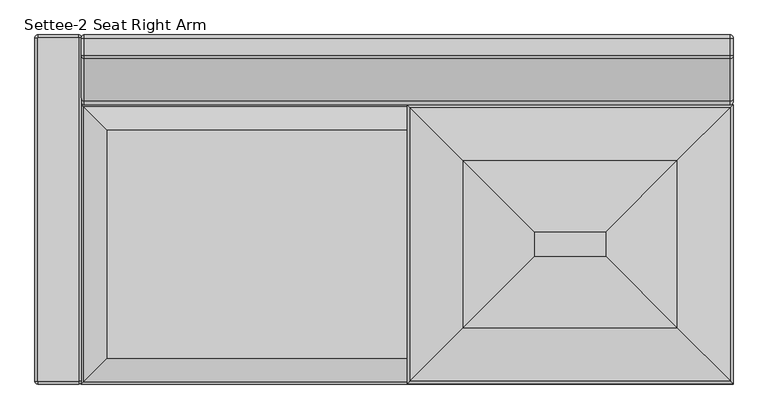
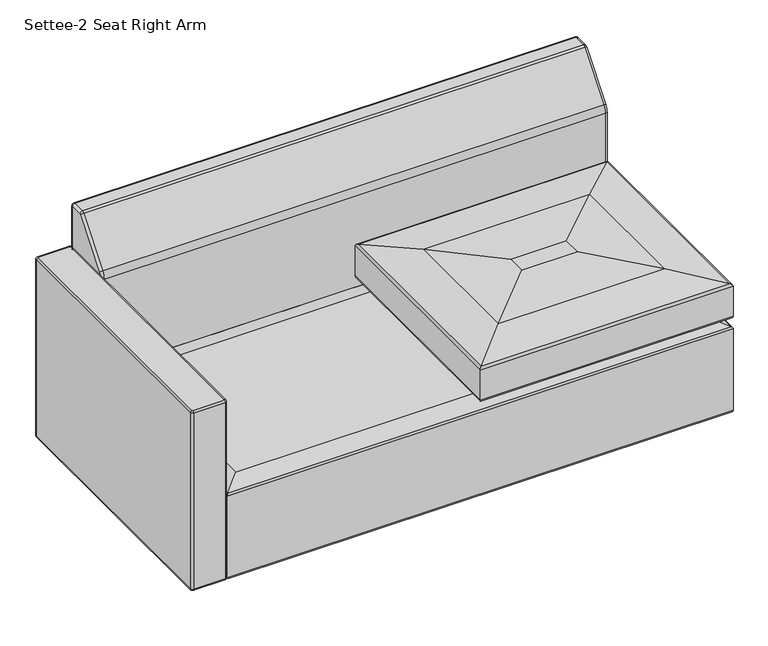
"""IFC4 building model written with IfcOpenShell, lengths in millimetres: furniture geometry, Settee-2 Seat Right Arm."""

from ifc_helpers import new_model, si_unit, point, frame, origin, place, context, project, spatial, circle_curve, ellipse_curve, trimmed, source, transform, mapped, element, save
from ifc_brep_helpers import plane_surface, cylinder_surface, revolved_surface, advanced_brep


def settee_2_seat_right_arm_ebe92415(model_context):
    return source(origin(), model_context, "Body", "AdvancedBrep", [
        advanced_brep(
        [(0.0, -6.35, 61.722), (6.35, 0.0, 61.722), (6.35, -4.572, 57.15), (4.572, -6.35, 57.15), (0.0, -6.35, 585.8632541), (6.35, 0.0, 585.8632541), (4.572, -6.35, 590.4352541), (6.35, -4.572, 590.4352541), (4.572, -755.65, 57.15), (0.0, -755.65, 61.722), (0.0, -755.65, 585.8632541), (4.572, -755.65, 590.4352541), (6.35, -757.428, 57.15), (6.35, -762.0, 61.722), (6.35, -762.0, 585.8632541), (6.35, -757.428, 590.4352541), (95.25, -757.428, 57.15), (95.25, -762.0, 61.722), (95.25, -762.0, 585.8632541), (95.25, -757.428, 590.4352541), (97.028, -755.65, 57.15), (101.6, -755.65, 61.722), (101.6, -755.65, 585.8632541), (97.028, -755.65, 590.4352541), (97.028, -6.35, 57.15), (101.6, -6.35, 61.722), (101.6, -6.35, 585.8632541), (97.028, -6.35, 590.4352541), (95.25, -4.572, 57.15), (95.25, 0.0, 61.722), (95.25, 0.0, 585.8632541), (95.25, -4.572, 590.4352541)],
        [
            (0, 1, circle_curve(frame((6.35, -6.35, 61.722), z_axis=(0.0, 0.0, -1.0), x_axis=(0.0, 1.0, 0.0)), 6.35)),
            (1, 2, circle_curve(frame((6.35, -4.572, 61.722), z_axis=(-1.0, 0.0, 0.0), x_axis=(0.0, -1.0, 0.0)), 4.572)),
            (2, 3, circle_curve(frame((6.35, -6.35, 57.15), z_axis=(0.0, 0.0, 1.0), x_axis=(0.0, 1.0, 0.0)), 1.778)),
            (3, 0, circle_curve(frame((4.572, -6.35, 61.722), z_axis=(0.0, 1.0, 0.0), x_axis=(1.0, 0.0, 0.0)), 4.572)),
            (0, 4),
            (4, 5, circle_curve(frame((6.35, -6.35, 585.8632541), z_axis=(0.0, 0.0, -1.0), x_axis=(0.0, 1.0, 0.0)), 6.35)),
            (5, 1),
            (4, 6, circle_curve(frame((4.572, -6.35, 585.8632541), z_axis=(0.0, 1.0, 0.0), x_axis=(1.0, 0.0, 0.0)), 4.572)),
            (6, 7, circle_curve(frame((6.35, -6.35, 590.4352541), z_axis=(0.0, 0.0, -1.0), x_axis=(0.0, 1.0, 0.0)), 1.778)),
            (7, 5, circle_curve(frame((6.35, -4.572, 585.8632541), z_axis=(-1.0, 0.0, 0.0), x_axis=(0.0, -1.0, 0.0)), 4.572)),
            (3, 8),
            (8, 9, circle_curve(frame((4.572, -755.65, 61.722), z_axis=(0.0, 1.0, 0.0), x_axis=(1.0, 0.0, 0.0)), 4.572)),
            (9, 0),
            (9, 10),
            (10, 4),
            (10, 11, circle_curve(frame((4.572, -755.65, 585.8632541), z_axis=(0.0, 1.0, 0.0), x_axis=(1.0, 0.0, 0.0)), 4.572)),
            (11, 6),
            (8, 12, circle_curve(frame((6.35, -755.65, 57.15), z_axis=(0.0, 0.0, 1.0), x_axis=(-1.0, 0.0, 0.0)), 1.778)),
            (12, 13, circle_curve(frame((6.35, -757.428, 61.722), z_axis=(-1.0, 0.0, 0.0), x_axis=(0.0, 1.0, 0.0)), 4.572)),
            (13, 9, circle_curve(frame((6.35, -755.65, 61.722), z_axis=(0.0, 0.0, -1.0), x_axis=(-1.0, 0.0, 0.0)), 6.35)),
            (13, 14),
            (14, 10, circle_curve(frame((6.35, -755.65, 585.8632541), z_axis=(0.0, 0.0, -1.0), x_axis=(-1.0, 0.0, 0.0)), 6.35)),
            (14, 15, circle_curve(frame((6.35, -757.428, 585.8632541), z_axis=(-1.0, 0.0, 0.0), x_axis=(0.0, 1.0, 0.0)), 4.572)),
            (15, 11, circle_curve(frame((6.35, -755.65, 590.4352541), z_axis=(0.0, 0.0, -1.0), x_axis=(-1.0, 0.0, 0.0)), 1.778)),
            (12, 16),
            (16, 17, circle_curve(frame((95.25, -757.428, 61.722), z_axis=(-1.0, 0.0, 0.0), x_axis=(0.0, 1.0, 0.0)), 4.572)),
            (17, 13),
            (17, 18),
            (18, 14),
            (18, 19, circle_curve(frame((95.25, -757.428, 585.8632541), z_axis=(-1.0, 0.0, 0.0), x_axis=(0.0, 1.0, 0.0)), 4.572)),
            (19, 15),
            (16, 20, circle_curve(frame((95.25, -755.65, 57.15), z_axis=(0.0, 0.0, 1.0), x_axis=(0.0, -1.0, 0.0)), 1.778)),
            (20, 21, circle_curve(frame((97.028, -755.65, 61.722), z_axis=(0.0, -1.0, 0.0), x_axis=(-1.0, 0.0, 0.0)), 4.572)),
            (21, 17, circle_curve(frame((95.25, -755.65, 61.722), z_axis=(0.0, 0.0, -1.0), x_axis=(0.0, -1.0, 0.0)), 6.35)),
            (21, 22),
            (22, 18, circle_curve(frame((95.25, -755.65, 585.8632541), z_axis=(0.0, 0.0, -1.0), x_axis=(0.0, -1.0, 0.0)), 6.35)),
            (22, 23, circle_curve(frame((97.028, -755.65, 585.8632541), z_axis=(0.0, -1.0, 0.0), x_axis=(-1.0, 0.0, 0.0)), 4.572)),
            (23, 19, circle_curve(frame((95.25, -755.65, 590.4352541), z_axis=(0.0, 0.0, -1.0), x_axis=(0.0, -1.0, 0.0)), 1.778)),
            (20, 24),
            (24, 25, circle_curve(frame((97.028, -6.35, 61.722), z_axis=(0.0, -1.0, 0.0), x_axis=(-1.0, 0.0, 0.0)), 4.572)),
            (25, 21),
            (25, 26),
            (26, 22),
            (26, 27, circle_curve(frame((97.028, -6.35, 585.8632541), z_axis=(0.0, -1.0, 0.0), x_axis=(-1.0, 0.0, 0.0)), 4.572)),
            (27, 23),
            (24, 28, circle_curve(frame((95.25, -6.35, 57.15), z_axis=(0.0, 0.0, 1.0), x_axis=(1.0, 0.0, 0.0)), 1.778)),
            (28, 29, circle_curve(frame((95.25, -4.572, 61.722), z_axis=(1.0, 0.0, 0.0), x_axis=(0.0, -1.0, 0.0)), 4.572)),
            (29, 25, circle_curve(frame((95.25, -6.35, 61.722), z_axis=(0.0, 0.0, -1.0), x_axis=(1.0, 0.0, 0.0)), 6.35)),
            (29, 30),
            (30, 26, circle_curve(frame((95.25, -6.35, 585.8632541), z_axis=(0.0, 0.0, -1.0), x_axis=(1.0, 0.0, 0.0)), 6.35)),
            (30, 31, circle_curve(frame((95.25, -4.572, 585.8632541), z_axis=(1.0, 0.0, 0.0), x_axis=(0.0, -1.0, 0.0)), 4.572)),
            (31, 27, circle_curve(frame((95.25, -6.35, 590.4352541), z_axis=(0.0, 0.0, -1.0), x_axis=(1.0, 0.0, 0.0)), 1.778)),
            (2, 28),
            (1, 29),
            (5, 30),
            (7, 31),
        ],
        [
            revolved_surface(trimmed(ellipse_curve(frame((6.35, -4.572, 61.722), z_axis=(1.0, 0.0, 0.0), x_axis=(0.0, -1.0, 0.0)), 4.572, 4.572), [point((6.35, -4.572, 57.15))], [point((6.35, 0.0, 61.722))], True, "CARTESIAN"), (6.35, -6.35, 0.0), (0.0, 0.0, 1.0)),
            cylinder_surface(frame((6.35, -6.35, 0.0), z_axis=(0.0, 0.0, 1.0), x_axis=(0.0, 1.0, 0.0)), 6.35),
            revolved_surface(trimmed(ellipse_curve(frame((6.35, -4.572, 585.8632541), z_axis=(1.0, 0.0, 0.0), x_axis=(0.0, -1.0, 0.0)), 4.572, 4.572), [point((6.35, 0.0, 585.8632541))], [point((6.35, -4.572, 590.4352541))], True, "CARTESIAN"), (6.35, -6.35, 0.0), (0.0, 0.0, 1.0)),
            cylinder_surface(frame((4.572, -6.35, 61.722), z_axis=(0.0, 1.0, 0.0), x_axis=(1.0, 0.0, 0.0)), 4.572),
            plane_surface(frame((0.0, -6.35, 61.722), z_axis=(-1.0, 0.0, 0.0), x_axis=(0.0, -1.0, 0.0))),
            cylinder_surface(frame((4.572, -6.35, 585.8632541), z_axis=(0.0, 1.0, 0.0), x_axis=(1.0, 0.0, 0.0)), 4.572),
            revolved_surface(trimmed(ellipse_curve(frame((4.572, -755.65, 61.722), z_axis=(0.0, 1.0, 0.0), x_axis=(1.0, 0.0, 0.0)), 4.572, 4.572), [point((4.572, -755.65, 57.15))], [point((0.0, -755.65, 61.722))], True, "CARTESIAN"), (6.35, -755.65, 0.0), (0.0, 0.0, 1.0)),
            cylinder_surface(frame((6.35, -755.65, 0.0), z_axis=(0.0, 0.0, 1.0), x_axis=(-1.0, 0.0, 0.0)), 6.35),
            revolved_surface(trimmed(ellipse_curve(frame((4.572, -755.65, 585.8632541), z_axis=(0.0, 1.0, 0.0), x_axis=(1.0, 0.0, 0.0)), 4.572, 4.572), [point((0.0, -755.65, 585.8632541))], [point((4.572, -755.65, 590.4352541))], True, "CARTESIAN"), (6.35, -755.65, 0.0), (0.0, 0.0, 1.0)),
            cylinder_surface(frame((6.35, -757.428, 61.722), z_axis=(-1.0, 0.0, 0.0), x_axis=(0.0, 1.0, 0.0)), 4.572),
            plane_surface(frame((6.35, -762.0, 61.722), z_axis=(0.0, -1.0, 0.0), x_axis=(1.0, 0.0, 0.0))),
            cylinder_surface(frame((6.35, -757.428, 585.8632541), z_axis=(-1.0, 0.0, 0.0), x_axis=(0.0, 1.0, 0.0)), 4.572),
            revolved_surface(trimmed(ellipse_curve(frame((95.25, -757.428, 61.722), z_axis=(-1.0, 0.0, 0.0), x_axis=(0.0, 1.0, 0.0)), 4.572, 4.572), [point((95.25, -757.428, 57.15))], [point((95.25, -762.0, 61.722))], True, "CARTESIAN"), (95.25, -755.65, 0.0), (0.0, 0.0, 1.0)),
            cylinder_surface(frame((95.25, -755.65, 0.0), z_axis=(0.0, 0.0, 1.0), x_axis=(0.0, -1.0, 0.0)), 6.35),
            revolved_surface(trimmed(ellipse_curve(frame((95.25, -757.428, 585.8632541), z_axis=(-1.0, 0.0, 0.0), x_axis=(0.0, 1.0, 0.0)), 4.572, 4.572), [point((95.25, -762.0, 585.8632541))], [point((95.25, -757.428, 590.4352541))], True, "CARTESIAN"), (95.25, -755.65, 0.0), (0.0, 0.0, 1.0)),
            cylinder_surface(frame((97.028, -755.65, 61.722), z_axis=(0.0, -1.0, 0.0), x_axis=(-1.0, 0.0, 0.0)), 4.572),
            plane_surface(frame((101.6, -755.65, 61.722), z_axis=(1.0, 0.0, 0.0), x_axis=(0.0, 1.0, 0.0))),
            cylinder_surface(frame((97.028, -755.65, 585.8632541), z_axis=(0.0, -1.0, 0.0), x_axis=(-1.0, 0.0, 0.0)), 4.572),
            revolved_surface(trimmed(ellipse_curve(frame((97.028, -6.35, 61.722), z_axis=(0.0, -1.0, 0.0), x_axis=(-1.0, 0.0, 0.0)), 4.572, 4.572), [point((97.028, -6.35, 57.15))], [point((101.6, -6.35, 61.722))], True, "CARTESIAN"), (95.25, -6.35, 0.0), (0.0, 0.0, 1.0)),
            cylinder_surface(frame((95.25, -6.35, 0.0), z_axis=(0.0, 0.0, 1.0), x_axis=(1.0, 0.0, 0.0)), 6.35),
            revolved_surface(trimmed(ellipse_curve(frame((97.028, -6.35, 585.8632541), z_axis=(0.0, -1.0, 0.0), x_axis=(-1.0, 0.0, 0.0)), 4.572, 4.572), [point((101.6, -6.35, 585.8632541))], [point((97.028, -6.35, 590.4352541))], True, "CARTESIAN"), (95.25, -6.35, 0.0), (0.0, 0.0, 1.0)),
            plane_surface(frame((95.25, -5.588, 57.15), z_axis=(0.0, 0.0, -1.0), x_axis=(-1.0, 0.0, 0.0))),
            cylinder_surface(frame((95.25, -4.572, 61.722), z_axis=(1.0, 0.0, 0.0), x_axis=(0.0, -1.0, 0.0)), 4.572),
            plane_surface(frame((95.25, 0.0, 61.722), z_axis=(0.0, 1.0, 0.0), x_axis=(-1.0, 0.0, 0.0))),
            cylinder_surface(frame((95.25, -4.572, 585.8632541), z_axis=(1.0, 0.0, 0.0), x_axis=(0.0, -1.0, 0.0)), 4.572),
            plane_surface(frame((95.25, -4.572, 590.4352541), z_axis=(0.0, 0.0, 1.0), x_axis=(-1.0, 0.0, 0.0))),
        ],
        [
            (0, [[1, 2, 3, 4]]),
            (1, [[-1, 5, 6, 7]]),
            (2, [[-6, 8, 9, 10]]),
            (3, [[-4, 11, 12, 13]]),
            (4, [[-5, -13, 14, 15]]),
            (5, [[-8, -15, 16, 17]]),
            (6, [[-12, 18, 19, 20]]),
            (7, [[-14, -20, 21, 22]]),
            (8, [[-16, -22, 23, 24]]),
            (9, [[-19, 25, 26, 27]]),
            (10, [[-21, -27, 28, 29]]),
            (11, [[-23, -29, 30, 31]]),
            (12, [[-26, 32, 33, 34]]),
            (13, [[-28, -34, 35, 36]]),
            (14, [[-30, -36, 37, 38]]),
            (15, [[-33, 39, 40, 41]]),
            (16, [[-35, -41, 42, 43]]),
            (17, [[-37, -43, 44, 45]]),
            (18, [[-40, 46, 47, 48]]),
            (19, [[-42, -48, 49, 50]]),
            (20, [[-44, -50, 51, 52]]),
            (21, [[-3, 53, -46, -39, -32, -25, -18, -11]]),
            (22, [[-2, 54, -47, -53]]),
            (23, [[-7, 55, -49, -54]]),
            (24, [[-10, 56, -51, -55]]),
            (25, [[-9, -17, -24, -31, -38, -45, -52, -56]]),
        ],
    ),
        advanced_brep(
        [(101.6, -762.0, 63.5), (107.95, -755.65, 57.15), (1517.65, -755.65, 57.15), (1524.0, -762.0, 63.5), (1524.0, -762.0, 305.4352053), (101.6, -762.0, 305.4352053), (1520.344765, -758.344765, 311.1850523), (105.255235, -758.344765, 311.1850523), (1469.0981467, -707.0981467, 323.8599964), (156.5018533, -707.0981467, 323.8599964), (1517.65, -158.75, 57.15), (1524.0, -152.4, 63.5), (1524.0, -152.4, 305.4352053), (1520.344765, -156.055235, 311.1850523), (1469.0981467, -207.3018533, 323.8599964), (107.95, -158.75, 57.15), (101.6, -152.4, 63.5), (101.6, -152.4, 305.4352053), (105.255235, -156.055235, 311.1850523), (156.5018533, -207.3018533, 323.8599964)],
        [
            (0, 1, ellipse_curve(frame((107.95, -755.65, 63.5), z_axis=(0.7071067811865475, -0.7071067811865475, 0.0), x_axis=(-0.7071067811865476, -0.7071067811865474, 0.0)), 8.9802561, 6.35)),
            (1, 2),
            (2, 3, ellipse_curve(frame((1517.65, -755.65, 63.5), z_axis=(-0.7071067811865475, -0.7071067811865475, 0.0), x_axis=(-0.7071067811865476, 0.7071067811865474, 0.0)), 8.9802561, 6.35)),
            (3, 0),
            (3, 4),
            (4, 5),
            (5, 0),
            (4, 6, ellipse_curve(frame((1517.65, -755.65, 305.4352053), z_axis=(-0.7071067811865475, -0.7071067811865475, 0.0), x_axis=(-0.7071067811865476, 0.7071067811865474, 0.0)), 8.9802561, 6.35)),
            (6, 7),
            (7, 5, ellipse_curve(frame((107.95, -755.65, 305.4352053), z_axis=(0.7071067811865475, -0.7071067811865475, 0.0), x_axis=(-0.7071067811865476, -0.7071067811865474, 0.0)), 8.9802561, 6.35)),
            (6, 8, ellipse_curve(frame((1462.7694749, -700.7694749, 188.3360783), z_axis=(-0.7071067811865475, -0.7071067811865475, 0.0), x_axis=(-0.7071067811865476, 0.7071067811865474, 0.0)), 191.8686241, 135.6716052)),
            (8, 9),
            (9, 7, ellipse_curve(frame((162.8305251, -700.7694749, 188.3360783), z_axis=(0.7071067811865475, -0.7071067811865475, 0.0), x_axis=(-0.7071067811865476, -0.7071067811865474, 0.0)), 191.8686241, 135.6716052)),
            (2, 10),
            (10, 11, ellipse_curve(frame((1517.65, -158.75, 63.5), z_axis=(0.7071067811865475, -0.7071067811865475, 0.0), x_axis=(-0.7071067811865474, -0.7071067811865476, 0.0)), 8.9802561, 6.35)),
            (11, 3),
            (11, 12),
            (12, 4),
            (12, 13, ellipse_curve(frame((1517.65, -158.75, 305.4352053), z_axis=(0.7071067811865475, -0.7071067811865475, 0.0), x_axis=(-0.7071067811865474, -0.7071067811865476, 0.0)), 8.9802561, 6.35)),
            (13, 6),
            (13, 14, ellipse_curve(frame((1462.7694749, -213.6305251, 188.3360783), z_axis=(0.7071067811865475, -0.7071067811865475, 0.0), x_axis=(-0.7071067811865474, -0.7071067811865476, 0.0)), 191.8686241, 135.6716052)),
            (14, 8),
            (10, 15),
            (15, 16, ellipse_curve(frame((107.95, -158.75, 63.5), z_axis=(0.7071067811865475, 0.7071067811865475, 0.0), x_axis=(0.7071067811865476, -0.7071067811865474, 0.0)), 8.9802561, 6.35)),
            (16, 11),
            (16, 17),
            (17, 12),
            (17, 18, ellipse_curve(frame((107.95, -158.75, 305.4352053), z_axis=(0.7071067811865475, 0.7071067811865475, 0.0), x_axis=(0.7071067811865476, -0.7071067811865474, 0.0)), 8.9802561, 6.35)),
            (18, 13),
            (18, 19, ellipse_curve(frame((162.8305251, -213.6305251, 188.3360783), z_axis=(0.7071067811865475, 0.7071067811865475, 0.0), x_axis=(0.7071067811865476, -0.7071067811865474, 0.0)), 191.8686241, 135.6716052)),
            (19, 14),
            (1, 15),
            (0, 16),
            (5, 17),
            (7, 18),
            (9, 19),
        ],
        [
            cylinder_surface(frame((101.6, -755.65, 63.5), z_axis=(-1.0, 0.0, 0.0), x_axis=(0.0, 1.0, 0.0)), 6.35),
            plane_surface(frame((101.6, -762.0, 63.5), z_axis=(0.0, -1.0, 0.0), x_axis=(1.0, 0.0, 0.0))),
            cylinder_surface(frame((101.6, -755.65, 305.4352053), z_axis=(-1.0, 0.0, 0.0), x_axis=(0.0, 1.0, 0.0)), 6.35),
            cylinder_surface(frame((101.6, -700.7694749, 188.3360783), z_axis=(-1.0, 0.0, 0.0), x_axis=(0.0, 1.0, 0.0)), 135.6716052),
            cylinder_surface(frame((1517.65, -762.0, 63.5), z_axis=(0.0, -1.0, 0.0), x_axis=(-1.0, 0.0, 0.0)), 6.35),
            plane_surface(frame((1524.0, -762.0, 63.5), z_axis=(1.0, 0.0, 0.0), x_axis=(0.0, 1.0, 0.0))),
            cylinder_surface(frame((1517.65, -762.0, 305.4352053), z_axis=(0.0, -1.0, 0.0), x_axis=(-1.0, 0.0, 0.0)), 6.35),
            cylinder_surface(frame((1462.7694749, -762.0, 188.3360783), z_axis=(0.0, -1.0, 0.0), x_axis=(-1.0, 0.0, 0.0)), 135.6716052),
            cylinder_surface(frame((1524.0, -158.75, 63.5), z_axis=(1.0, 0.0, 0.0), x_axis=(0.0, -1.0, 0.0)), 6.35),
            plane_surface(frame((1524.0, -152.4, 63.5), z_axis=(0.0, 1.0, 0.0), x_axis=(-1.0, 0.0, 0.0))),
            cylinder_surface(frame((1524.0, -158.75, 305.4352053), z_axis=(1.0, 0.0, 0.0), x_axis=(0.0, -1.0, 0.0)), 6.35),
            cylinder_surface(frame((1524.0, -213.6305251, 188.3360783), z_axis=(1.0, 0.0, 0.0), x_axis=(0.0, -1.0, 0.0)), 135.6716052),
            plane_surface(frame((381.0, -431.8, 57.15), z_axis=(0.0, 0.0, -1.0), x_axis=(0.0, -1.0, 0.0))),
            cylinder_surface(frame((107.95, -152.4, 63.5), z_axis=(0.0, 1.0, 0.0), x_axis=(1.0, 0.0, 0.0)), 6.35),
            plane_surface(frame((101.6, -152.4, 63.5), z_axis=(-1.0, 0.0, 0.0), x_axis=(0.0, -1.0, 0.0))),
            cylinder_surface(frame((107.95, -152.4, 305.4352053), z_axis=(0.0, 1.0, 0.0), x_axis=(1.0, 0.0, 0.0)), 6.35),
            cylinder_surface(frame((162.8305251, -152.4, 188.3360783), z_axis=(0.0, 1.0, 0.0), x_axis=(1.0, 0.0, 0.0)), 135.6716052),
            plane_surface(frame((156.5018533, -207.3018533, 323.8599964), z_axis=(0.0, 0.0, 1.0), x_axis=(0.0, -1.0, 0.0))),
        ],
        [
            (0, [[1, 2, 3, 4]]),
            (1, [[-4, 5, 6, 7]]),
            (2, [[-6, 8, 9, 10]]),
            (3, [[-9, 11, 12, 13]]),
            (4, [[-3, 14, 15, 16]]),
            (5, [[-5, -16, 17, 18]]),
            (6, [[-8, -18, 19, 20]]),
            (7, [[-11, -20, 21, 22]]),
            (8, [[-15, 23, 24, 25]]),
            (9, [[-17, -25, 26, 27]]),
            (10, [[-19, -27, 28, 29]]),
            (11, [[-21, -29, 30, 31]]),
            (12, [[-2, 32, -23, -14]]),
            (13, [[-1, 33, -24, -32]]),
            (14, [[-7, 34, -26, -33]]),
            (15, [[-10, 35, -28, -34]]),
            (16, [[-13, 36, -30, -35]]),
            (17, [[-12, -22, -31, -36]]),
        ],
    ),
        advanced_brep(
        [(816.4589271, -758.2176259, 336.5161259), (867.7018533, -706.9746997, 323.8599964), (1469.0981467, -706.9746997, 323.8599964), (1520.3410729, -758.2176259, 336.5161259), (1524.0, -761.876553, 342.2677019), (812.8, -761.876553, 342.2677019), (1524.0, -761.876553, 431.6520878), (812.8, -761.876553, 431.6520878), (1518.4617206, -756.3382736, 437.949993), (818.3382794, -756.3382736, 437.949993), (1402.4501341, -640.326687, 452.9024246), (934.3498659, -640.326687, 452.9024246), (1246.599776, -484.476329, 462.9046302), (1090.200224, -484.476329, 462.9046302), (1469.0981467, -207.3018533, 323.8599964), (1520.3410729, -156.0589271, 336.5161259), (1524.0, -152.4, 342.2677019), (1524.0, -152.4, 431.6520878), (1518.4617206, -157.9382794, 437.949993), (1402.4501341, -273.9498659, 452.9024246), (1246.599776, -429.800224, 462.9046302), (867.7018533, -207.3018533, 323.8599964), (816.4589271, -156.0589271, 336.5161259), (812.8, -152.4, 342.2677019), (812.8, -152.4, 431.6520878), (818.3382794, -157.9382794, 437.949993), (934.3498659, -273.9498659, 452.9024246), (1090.200224, -429.800224, 462.9046302)],
        [
            (0, 1, ellipse_curve(frame((874.0373178, -700.6392352, 459.5772619), z_axis=(0.7071067811865475, -0.7071067811865475, 0.0), x_axis=(-0.7071067811865476, -0.7071067811865474, 0.0)), 192.1422091, 135.865059)),
            (1, 2),
            (2, 3, ellipse_curve(frame((1462.7626822, -700.6392352, 459.5772619), z_axis=(-0.7071067811865475, -0.7071067811865475, 0.0), x_axis=(-0.7071067811865476, 0.7071067811865474, 0.0)), 192.1422091, 135.865059)),
            (3, 0),
            (3, 4, ellipse_curve(frame((1517.65, -755.526553, 342.2677019), z_axis=(-0.7071067811865475, -0.7071067811865475, 0.0), x_axis=(-0.7071067811865476, 0.7071067811865474, 0.0)), 8.9802561, 6.35)),
            (4, 5),
            (5, 0, ellipse_curve(frame((819.15, -755.526553, 342.2677019), z_axis=(0.7071067811865475, -0.7071067811865475, 0.0), x_axis=(-0.7071067811865476, -0.7071067811865474, 0.0)), 8.9802561, 6.35)),
            (4, 6),
            (6, 7),
            (7, 5),
            (6, 8, ellipse_curve(frame((1517.65, -755.526553, 431.6520878), z_axis=(-0.7071067811865475, -0.7071067811865475, 0.0), x_axis=(-0.7071067811865476, 0.7071067811865474, 0.0)), 8.9802561, 6.35)),
            (8, 9),
            (9, 7, ellipse_curve(frame((819.15, -755.526553, 431.6520878), z_axis=(0.7071067811865475, -0.7071067811865475, 0.0), x_axis=(-0.7071067811865476, -0.7071067811865474, 0.0)), 8.9802561, 6.35)),
            (8, 10),
            (10, 11),
            (11, 9),
            (10, 12, ellipse_curve(frame((1246.599776, -484.476329, -756.2953698), z_axis=(-0.7071067811865475, -0.7071067811865475, 0.0), x_axis=(-0.7071067811865476, 0.7071067811865474, 0.0)), 1724.2091752, 1219.2)),
            (12, 13),
            (13, 11, ellipse_curve(frame((1090.200224, -484.476329, -756.2953698), z_axis=(0.7071067811865475, -0.7071067811865475, 0.0), x_axis=(-0.7071067811865476, -0.7071067811865474, 0.0)), 1724.2091752, 1219.2)),
            (2, 14),
            (14, 15, ellipse_curve(frame((1462.7626822, -213.6373178, 459.5772619), z_axis=(0.7071067811865475, -0.7071067811865475, 0.0), x_axis=(-0.7071067811865474, -0.7071067811865476, 0.0)), 192.1422091, 135.865059)),
            (15, 3),
            (15, 16, ellipse_curve(frame((1517.65, -158.75, 342.2677019), z_axis=(0.7071067811865475, -0.7071067811865475, 0.0), x_axis=(-0.7071067811865474, -0.7071067811865476, 0.0)), 8.9802561, 6.35)),
            (16, 4),
            (16, 17),
            (17, 6),
            (17, 18, ellipse_curve(frame((1517.65, -158.75, 431.6520878), z_axis=(0.7071067811865475, -0.7071067811865475, 0.0), x_axis=(-0.7071067811865474, -0.7071067811865476, 0.0)), 8.9802561, 6.35)),
            (18, 8),
            (18, 19),
            (19, 10),
            (19, 20, ellipse_curve(frame((1246.599776, -429.800224, -756.2953698), z_axis=(0.7071067811865475, -0.7071067811865475, 0.0), x_axis=(-0.7071067811865474, -0.7071067811865476, 0.0)), 1724.2091752, 1219.2)),
            (20, 12),
            (14, 21),
            (21, 22, ellipse_curve(frame((874.0373178, -213.6373178, 459.5772619), z_axis=(0.7071067811865475, 0.7071067811865475, 0.0), x_axis=(0.7071067811865476, -0.7071067811865474, 0.0)), 192.1422091, 135.865059)),
            (22, 15),
            (22, 23, ellipse_curve(frame((819.15, -158.75, 342.2677019), z_axis=(0.7071067811865475, 0.7071067811865475, 0.0), x_axis=(0.7071067811865476, -0.7071067811865474, 0.0)), 8.9802561, 6.35)),
            (23, 16),
            (23, 24),
            (24, 17),
            (24, 25, ellipse_curve(frame((819.15, -158.75, 431.6520878), z_axis=(0.7071067811865475, 0.7071067811865475, 0.0), x_axis=(0.7071067811865476, -0.7071067811865474, 0.0)), 8.9802561, 6.35)),
            (25, 18),
            (25, 26),
            (26, 19),
            (26, 27, ellipse_curve(frame((1090.200224, -429.800224, -756.2953698), z_axis=(0.7071067811865475, 0.7071067811865475, 0.0), x_axis=(0.7071067811865476, -0.7071067811865474, 0.0)), 1724.2091752, 1219.2)),
            (27, 20),
            (1, 21),
            (0, 22),
            (5, 23),
            (7, 24),
            (9, 25),
            (11, 26),
            (13, 27),
        ],
        [
            cylinder_surface(frame((812.8, -700.6392352, 459.5772619), z_axis=(-1.0, 0.0, 0.0), x_axis=(0.0, 1.0, 0.0)), 135.865059),
            cylinder_surface(frame((812.8, -755.526553, 342.2677019), z_axis=(-1.0, 0.0, 0.0), x_axis=(0.0, 1.0, 0.0)), 6.35),
            plane_surface(frame((812.8, -761.876553, 342.2677019), z_axis=(0.0, -1.0, 0.0), x_axis=(1.0, 0.0, 0.0))),
            cylinder_surface(frame((812.8, -755.526553, 431.6520878), z_axis=(-1.0, 0.0, 0.0), x_axis=(0.0, 1.0, 0.0)), 6.35),
            plane_surface(frame((818.3382794, -756.3382736, 437.949993), z_axis=(0.0, -0.12783001807990294, 0.9917960911788731), x_axis=(1.0, 0.0, 0.0))),
            cylinder_surface(frame((812.8, -484.476329, -756.2953698), z_axis=(-1.0, 0.0, 0.0), x_axis=(0.0, 1.0, 0.0)), 1219.2),
            cylinder_surface(frame((1462.7626822, -761.876553, 459.5772619), z_axis=(0.0, -1.0, 0.0), x_axis=(-1.0, 0.0, 0.0)), 135.865059),
            cylinder_surface(frame((1517.65, -761.876553, 342.2677019), z_axis=(0.0, -1.0, 0.0), x_axis=(-1.0, 0.0, 0.0)), 6.35),
            plane_surface(frame((1524.0, -761.876553, 342.2677019), z_axis=(1.0, 0.0, 0.0), x_axis=(0.0, 1.0, 0.0))),
            cylinder_surface(frame((1517.65, -761.876553, 431.6520878), z_axis=(0.0, -1.0, 0.0), x_axis=(-1.0, 0.0, 0.0)), 6.35),
            plane_surface(frame((1518.4617206, -756.3382736, 437.949993), z_axis=(0.12783001807990294, 0.0, 0.9917960911788731), x_axis=(0.0, 1.0, 0.0))),
            cylinder_surface(frame((1246.599776, -761.876553, -756.2953698), z_axis=(0.0, -1.0, 0.0), x_axis=(-1.0, 0.0, 0.0)), 1219.2),
            cylinder_surface(frame((1524.0, -213.6373178, 459.5772619), z_axis=(1.0, 0.0, 0.0), x_axis=(0.0, -1.0, 0.0)), 135.865059),
            cylinder_surface(frame((1524.0, -158.75, 342.2677019), z_axis=(1.0, 0.0, 0.0), x_axis=(0.0, -1.0, 0.0)), 6.35),
            plane_surface(frame((1524.0, -152.4, 342.2677019), z_axis=(0.0, 1.0, 0.0), x_axis=(-1.0, 0.0, 0.0))),
            cylinder_surface(frame((1524.0, -158.75, 431.6520878), z_axis=(1.0, 0.0, 0.0), x_axis=(0.0, -1.0, 0.0)), 6.35),
            plane_surface(frame((1518.4617206, -157.9382794, 437.949993), z_axis=(0.0, 0.12783001807990294, 0.9917960911788731), x_axis=(-1.0, 0.0, 0.0))),
            cylinder_surface(frame((1524.0, -429.800224, -756.2953698), z_axis=(1.0, 0.0, 0.0), x_axis=(0.0, -1.0, 0.0)), 1219.2),
            plane_surface(frame((1092.2, -431.8, 323.8599964), z_axis=(0.0, 0.0, -1.0), x_axis=(0.0, -1.0, 0.0))),
            cylinder_surface(frame((874.0373178, -152.4, 459.5772619), z_axis=(0.0, 1.0, 0.0), x_axis=(1.0, 0.0, 0.0)), 135.865059),
            cylinder_surface(frame((819.15, -152.4, 342.2677019), z_axis=(0.0, 1.0, 0.0), x_axis=(1.0, 0.0, 0.0)), 6.35),
            plane_surface(frame((812.8, -152.4, 342.2677019), z_axis=(-1.0, 0.0, 0.0), x_axis=(0.0, -1.0, 0.0))),
            cylinder_surface(frame((819.15, -152.4, 431.6520878), z_axis=(0.0, 1.0, 0.0), x_axis=(1.0, 0.0, 0.0)), 6.35),
            plane_surface(frame((818.3382794, -157.9382794, 437.949993), z_axis=(-0.12783001807990294, 0.0, 0.9917960911788731), x_axis=(0.0, -1.0, 0.0))),
            cylinder_surface(frame((1090.200224, -152.4, -756.2953698), z_axis=(0.0, 1.0, 0.0), x_axis=(1.0, 0.0, 0.0)), 1219.2),
            plane_surface(frame((1090.200224, -429.800224, 462.9046302), z_axis=(0.0, 0.0, 1.0), x_axis=(0.0, -1.0, 0.0))),
        ],
        [
            (0, [[1, 2, 3, 4]]),
            (1, [[-4, 5, 6, 7]]),
            (2, [[-6, 8, 9, 10]]),
            (3, [[-9, 11, 12, 13]]),
            (4, [[-12, 14, 15, 16]]),
            (5, [[-15, 17, 18, 19]]),
            (6, [[-3, 20, 21, 22]]),
            (7, [[-5, -22, 23, 24]]),
            (8, [[-8, -24, 25, 26]]),
            (9, [[-11, -26, 27, 28]]),
            (10, [[-14, -28, 29, 30]]),
            (11, [[-17, -30, 31, 32]]),
            (12, [[-21, 33, 34, 35]]),
            (13, [[-23, -35, 36, 37]]),
            (14, [[-25, -37, 38, 39]]),
            (15, [[-27, -39, 40, 41]]),
            (16, [[-29, -41, 42, 43]]),
            (17, [[-31, -43, 44, 45]]),
            (18, [[-2, 46, -33, -20]]),
            (19, [[-1, 47, -34, -46]]),
            (20, [[-7, 48, -36, -47]]),
            (21, [[-10, 49, -38, -48]]),
            (22, [[-13, 50, -40, -49]]),
            (23, [[-16, 51, -42, -50]]),
            (24, [[-19, 52, -44, -51]]),
            (25, [[-18, -32, -45, -52]]),
        ],
    ),
        advanced_brep(
        [(1517.904, 0.0, 57.15), (1524.0, -6.096, 63.246), (1524.0, -146.304, 63.246), (1517.904, -152.4, 57.15), (107.95, -152.4, 57.15), (107.95, 0.0, 57.15), (101.6, -146.05, 63.5), (101.6, -6.35, 63.5), (1524.0, -146.304, 578.4232783), (1517.904, -152.4, 578.4232783), (107.95, -152.4, 578.4232783), (101.6, -146.05, 578.4232783), (1524.0, -140.3398991, 595.322521), (1517.904, -145.0855366, 599.1487647), (107.95, -145.0855366, 599.1487647), (101.6, -140.1421642, 595.1630942), (1524.0, -47.690711, 710.2340389), (1517.904, -52.4363486, 714.0602825), (107.95, -52.4363486, 714.0602825), (101.6, -47.4929761, 710.0746121), (1524.0, -45.5156272, 711.2743439), (1517.904, -45.5156272, 717.3703439), (107.95, -45.5156272, 717.3703439), (101.6, -45.5156272, 711.0203439), (1524.0, -8.89, 711.2743439), (1517.904, -8.89, 717.3703439), (107.95, -8.89, 717.3703439), (101.6, -8.89, 711.0203439), (1524.0, -6.096, 708.4803439), (1517.904, 0.0, 708.4803439), (107.95, 0.0, 708.4803439), (101.6, -6.35, 708.4803439)],
        [
            (0, 1, ellipse_curve(frame((1517.904, -6.096, 63.246), z_axis=(0.0, -0.7071067811865475, -0.7071067811865475), x_axis=(0.0, 0.7071067811865476, -0.7071067811865474)), 8.6210459, 6.096)),
            (1, 2),
            (2, 3, ellipse_curve(frame((1517.904, -146.304, 63.246), z_axis=(0.0, 0.7071067811865475, -0.7071067811865475), x_axis=(0.0, 0.7071067811865476, 0.7071067811865474)), 8.6210459, 6.096)),
            (3, 0),
            (3, 4),
            (4, 5),
            (5, 0),
            (4, 6, ellipse_curve(frame((107.95, -146.05, 63.5), z_axis=(0.0, 0.7071067811865475, -0.7071067811865475), x_axis=(0.0, 0.7071067811865476, 0.7071067811865474)), 8.9802561, 6.35)),
            (6, 7),
            (7, 5, ellipse_curve(frame((107.95, -6.35, 63.5), z_axis=(0.0, -0.7071067811865475, -0.7071067811865475), x_axis=(0.0, 0.7071067811865476, -0.7071067811865474)), 8.9802561, 6.35)),
            (2, 8),
            (8, 9, circle_curve(frame((1517.904, -146.304, 578.4232783), z_axis=(0.0, 0.0, -1.0), x_axis=(1.0, 0.0, 0.0)), 6.096)),
            (9, 3),
            (9, 10),
            (10, 4),
            (10, 11, circle_curve(frame((107.95, -146.05, 578.4232783), z_axis=(0.0, 0.0, -1.0), x_axis=(1.0, 0.0, 0.0)), 6.35)),
            (11, 6),
            (8, 12, circle_curve(frame((1524.0, -119.38, 578.4232783), z_axis=(-1.0, 0.0, 0.0), x_axis=(0.0, -1.0, 0.0)), 26.924)),
            (12, 13, circle_curve(frame((1517.904, -140.3398991, 595.322521), z_axis=(0.0, -0.6276646390690119, -0.7784838475282368), x_axis=(1.0, 0.0, 0.0)), 6.096)),
            (13, 9, circle_curve(frame((1517.904, -119.38, 578.4232783), z_axis=(1.0, 0.0, 0.0), x_axis=(0.0, -1.0, 0.0)), 33.02)),
            (13, 14),
            (14, 10, circle_curve(frame((107.95, -119.38, 578.4232783), z_axis=(1.0, 0.0, 0.0), x_axis=(0.0, -1.0, 0.0)), 33.02)),
            (14, 15, circle_curve(frame((107.95, -140.1421642, 595.1630942), z_axis=(0.0, -0.6276646390690115, -0.7784838475282372), x_axis=(1.0, 0.0, 0.0)), 6.35)),
            (15, 11, circle_curve(frame((101.6, -119.38, 578.4232783), z_axis=(1.0, 0.0, 0.0), x_axis=(0.0, -1.0, 0.0)), 26.67)),
            (12, 16),
            (16, 17, circle_curve(frame((1517.904, -47.690711, 710.2340389), z_axis=(0.0, -0.6276646390690127, -0.7784838475282361), x_axis=(1.0, 0.0, 0.0)), 6.096)),
            (17, 13),
            (17, 18),
            (18, 14),
            (18, 19, circle_curve(frame((107.95, -47.4929761, 710.0746121), z_axis=(0.0, -0.6276646390690127, -0.7784838475282361), x_axis=(1.0, 0.0, 0.0)), 6.35)),
            (19, 15),
            (16, 20, circle_curve(frame((1524.0, -45.5156272, 708.4803439), z_axis=(-1.0, 0.0, 0.0), x_axis=(0.0, -0.7784838475282333, 0.6276646390690163)), 2.794)),
            (20, 21, circle_curve(frame((1517.904, -45.5156272, 711.2743439), z_axis=(0.0, -1.0, 0.0), x_axis=(1.0, 0.0, 0.0)), 6.096)),
            (21, 17, circle_curve(frame((1517.904, -45.5156272, 708.4803439), z_axis=(1.0, 0.0, 0.0), x_axis=(0.0, -0.7784838475282333, 0.6276646390690163)), 8.89)),
            (21, 22),
            (22, 18, circle_curve(frame((107.95, -45.5156272, 708.4803439), z_axis=(1.0, 0.0, 0.0), x_axis=(0.0, -0.7784838475282333, 0.6276646390690163)), 8.89)),
            (22, 23, circle_curve(frame((107.95, -45.5156272, 711.0203439), z_axis=(0.0, -1.0, 0.0), x_axis=(1.0, 0.0, 0.0)), 6.35)),
            (23, 19, circle_curve(frame((101.6, -45.5156272, 708.4803439), z_axis=(1.0, 0.0, 0.0), x_axis=(0.0, -0.7784838475282333, 0.6276646390690163)), 2.54)),
            (20, 24),
            (24, 25, circle_curve(frame((1517.904, -8.89, 711.2743439), z_axis=(0.0, -1.0, 0.0), x_axis=(1.0, 0.0, 0.0)), 6.096)),
            (25, 21),
            (25, 26),
            (26, 22),
            (26, 27, circle_curve(frame((107.95, -8.89, 711.0203439), z_axis=(0.0, -1.0, 0.0), x_axis=(1.0, 0.0, 0.0)), 6.35)),
            (27, 23),
            (24, 28, circle_curve(frame((1524.0, -8.89, 708.4803439), z_axis=(-1.0, 0.0, 0.0), x_axis=(0.0, 0.0, 1.0)), 2.794)),
            (28, 29, circle_curve(frame((1517.904, -6.096, 708.4803439), z_axis=(0.0, 0.0, 1.0), x_axis=(1.0, 0.0, 0.0)), 6.096)),
            (29, 25, circle_curve(frame((1517.904, -8.89, 708.4803439), z_axis=(1.0, 0.0, 0.0), x_axis=(0.0, 0.0, 1.0)), 8.89)),
            (29, 30),
            (30, 26, circle_curve(frame((107.95, -8.89, 708.4803439), z_axis=(1.0, 0.0, 0.0), x_axis=(0.0, 0.0, 1.0)), 8.89)),
            (30, 31, circle_curve(frame((107.95, -6.35, 708.4803439), z_axis=(0.0, -1.2836627458265103e-12, 1.0), x_axis=(1.0, 0.0, 0.0)), 6.35)),
            (31, 27, circle_curve(frame((101.6, -8.89, 708.4803439), z_axis=(1.0, 0.0, 0.0), x_axis=(0.0, 0.0, 1.0)), 2.54)),
            (1, 28),
            (0, 29),
            (5, 30),
            (7, 31),
        ],
        [
            cylinder_surface(frame((1517.904, -7.62, 63.246), z_axis=(0.0, 1.0, 0.0), x_axis=(1.0, 0.0, 0.0)), 6.096),
            plane_surface(frame((1517.904, 0.0, 57.15), z_axis=(0.0, 0.0, -1.0), x_axis=(0.0, -1.0, 0.0))),
            cylinder_surface(frame((107.95, -7.62, 63.5), z_axis=(0.0, 1.0, 0.0), x_axis=(1.0, 0.0, 0.0)), 6.35),
            cylinder_surface(frame((1517.904, -146.304, 64.77), z_axis=(0.0, 0.0, -1.0), x_axis=(1.0, 0.0, 0.0)), 6.096),
            plane_surface(frame((1517.904, -152.4, 57.15), z_axis=(0.0, -1.0, 0.0), x_axis=(0.0, 0.0, 1.0))),
            cylinder_surface(frame((107.95, -146.05, 64.77), z_axis=(0.0, 0.0, -1.0), x_axis=(1.0, 0.0, 0.0)), 6.35),
            revolved_surface(trimmed(ellipse_curve(frame((1517.904, -146.304, 578.4232783), z_axis=(0.0, 0.0, -1.0), x_axis=(1.0, 0.0, 0.0)), 6.096, 6.096), [point((1524.0, -146.304, 578.4232783))], [point((1517.904, -152.4, 578.4232783))], True, "CARTESIAN"), (101.6, -119.38, 578.4232783), (-1.0, 0.0, 0.0)),
            cylinder_surface(frame((101.6, -119.38, 578.4232783), z_axis=(-1.0, 0.0, 0.0), x_axis=(0.0, -1.0, 0.0)), 33.02),
            revolved_surface(trimmed(ellipse_curve(frame((107.95, -146.05, 578.4232783), z_axis=(0.0, 0.0, -1.0), x_axis=(1.0, 0.0, 0.0)), 6.35, 6.35), [point((107.95, -152.4, 578.4232783))], [point((101.6, -146.05, 578.4232783))], True, "CARTESIAN"), (101.6, -119.38, 578.4232783), (-1.0, 0.0, 0.0)),
            cylinder_surface(frame((1517.904, -140.3398991, 595.322521), z_axis=(0.0, -0.6276646390690127, -0.7784838475282361), x_axis=(1.0, 0.0, 0.0)), 6.096),
            plane_surface(frame((1517.904, -145.0855366, 599.1487647), z_axis=(0.0, -0.778483847528236, 0.6276646390690129), x_axis=(0.0, 0.6276646390690129, 0.778483847528236))),
            cylinder_surface(frame((107.95, -140.1421642, 595.1630942), z_axis=(0.0, -0.6276646390690127, -0.7784838475282361), x_axis=(1.0, 0.0, 0.0)), 6.35),
            revolved_surface(trimmed(ellipse_curve(frame((1517.904, -47.690711, 710.2340389), z_axis=(0.0, -0.6276646390690163, -0.7784838475282333), x_axis=(1.0, 0.0, 0.0)), 6.096, 6.096), [point((1524.0, -47.690711, 710.2340389))], [point((1517.904, -52.4363486, 714.0602825))], True, "CARTESIAN"), (101.6, -45.5156272, 708.4803439), (-1.0, 0.0, 0.0)),
            cylinder_surface(frame((101.6, -45.5156272, 708.4803439), z_axis=(-1.0, 0.0, 0.0), x_axis=(0.0, -0.7784838475282333, 0.6276646390690163)), 8.89),
            revolved_surface(trimmed(ellipse_curve(frame((107.95, -47.4929761, 710.0746121), z_axis=(0.0, -0.6276646390690163, -0.7784838475282333), x_axis=(1.0, 0.0, 0.0)), 6.35, 6.35), [point((107.95, -52.4363486, 714.0602825))], [point((101.6, -47.4929761, 710.0746121))], True, "CARTESIAN"), (101.6, -45.5156272, 708.4803439), (-1.0, 0.0, 0.0)),
            cylinder_surface(frame((1517.904, -45.5156272, 711.2743439), z_axis=(0.0, -1.0, 0.0), x_axis=(1.0, 0.0, 0.0)), 6.096),
            plane_surface(frame((1517.904, -45.5156272, 717.3703439), z_axis=(0.0, 0.0, 1.0), x_axis=(0.0, 1.0, 0.0))),
            cylinder_surface(frame((107.95, -45.5156272, 711.0203439), z_axis=(0.0, -1.0, 0.0), x_axis=(1.0, 0.0, 0.0)), 6.35),
            revolved_surface(trimmed(ellipse_curve(frame((1517.904, -8.89, 711.2743439), z_axis=(0.0, -1.0, 0.0), x_axis=(1.0, 0.0, 0.0)), 6.096, 6.096), [point((1524.0, -8.89, 711.2743439))], [point((1517.904, -8.89, 717.3703439))], True, "CARTESIAN"), (101.6, -8.89, 708.4803439), (-1.0, 0.0, 0.0)),
            cylinder_surface(frame((101.6, -8.89, 708.4803439), z_axis=(-1.0, 0.0, 0.0), x_axis=(0.0, 0.0, 1.0)), 8.89),
            revolved_surface(trimmed(ellipse_curve(frame((107.95, -8.89, 711.0203439), z_axis=(0.0, -1.0, 0.0), x_axis=(1.0, 0.0, 0.0)), 6.35, 6.35), [point((107.95, -8.89, 717.3703439))], [point((101.6, -8.89, 711.0203439))], True, "CARTESIAN"), (101.6, -8.89, 708.4803439), (-1.0, 0.0, 0.0)),
            plane_surface(frame((1524.0, -7.62, 708.4803439), z_axis=(1.0, 0.0, 0.0), x_axis=(0.0, 0.0, -1.0))),
            cylinder_surface(frame((1517.904, -6.096, 708.4803439), z_axis=(0.0, 0.0, 1.0), x_axis=(1.0, 0.0, 0.0)), 6.096),
            plane_surface(frame((1517.904, 0.0, 708.4803439), z_axis=(0.0, 1.0, 0.0), x_axis=(0.0, 0.0, -1.0))),
            cylinder_surface(frame((107.95, -6.35, 708.4803439), z_axis=(0.0, 0.0, 1.0), x_axis=(1.0, 0.0, 0.0)), 6.35),
            plane_surface(frame((101.6, -6.35, 708.4803439), z_axis=(-1.0, 0.0, 0.0), x_axis=(0.0, 0.0, -1.0))),
        ],
        [
            (0, [[1, 2, 3, 4]]),
            (1, [[-4, 5, 6, 7]]),
            (2, [[-6, 8, 9, 10]]),
            (3, [[-3, 11, 12, 13]]),
            (4, [[-5, -13, 14, 15]]),
            (5, [[-8, -15, 16, 17]]),
            (6, [[-12, 18, 19, 20]]),
            (7, [[-14, -20, 21, 22]]),
            (8, [[-16, -22, 23, 24]]),
            (9, [[-19, 25, 26, 27]]),
            (10, [[-21, -27, 28, 29]]),
            (11, [[-23, -29, 30, 31]]),
            (12, [[-26, 32, 33, 34]]),
            (13, [[-28, -34, 35, 36]]),
            (14, [[-30, -36, 37, 38]]),
            (15, [[-33, 39, 40, 41]]),
            (16, [[-35, -41, 42, 43]]),
            (17, [[-37, -43, 44, 45]]),
            (18, [[-40, 46, 47, 48]]),
            (19, [[-42, -48, 49, 50]]),
            (20, [[-44, -50, 51, 52]]),
            (21, [[-2, 53, -46, -39, -32, -25, -18, -11]]),
            (22, [[-1, 54, -47, -53]]),
            (23, [[-7, 55, -49, -54]]),
            (24, [[-10, 56, -51, -55]]),
            (25, [[-9, -17, -24, -31, -38, -45, -52, -56]]),
        ],
    ),
        advanced_brep(
        [(177.8, -101.600003, 57.15), (228.6, -101.600003, 57.15), (177.8, -101.600003, 6.35), (228.6, -101.600003, 6.35), (190.5, -101.600003, 6.35), (215.9, -101.600003, 6.35), (190.5, -101.600003, 0.0), (215.9, -101.600003, 0.0)],
        [
            (0, 1, circle_curve(frame((203.2, -101.600003, 57.15), z_axis=(0.0, 0.0, 1.0), x_axis=(1.0, 0.0, 0.0)), 25.4)),
            (1, 0, circle_curve(frame((203.2, -101.600003, 57.15), z_axis=(0.0, 0.0, 1.0), x_axis=(1.0, 0.0, 0.0)), 25.4)),
            (2, 3, circle_curve(frame((203.2, -101.600003, 6.35), z_axis=(0.0, 0.0, -1.0), x_axis=(1.0, 0.0, 0.0)), 25.4)),
            (3, 2, circle_curve(frame((203.2, -101.600003, 6.35), z_axis=(0.0, 0.0, -1.0), x_axis=(1.0, 0.0, 0.0)), 25.4)),
            (4, 5, circle_curve(frame((203.2, -101.600003, 6.35), z_axis=(0.0, 0.0, 1.0), x_axis=(1.0, 0.0, 0.0)), 12.7)),
            (5, 4, circle_curve(frame((203.2, -101.600003, 6.35), z_axis=(0.0, 0.0, 1.0), x_axis=(1.0, 0.0, 0.0)), 12.7)),
            (0, 2),
            (3, 1),
            (6, 7, circle_curve(frame((203.2, -101.600003, 0.0), z_axis=(0.0, 0.0, -1.0), x_axis=(1.0, 0.0, 0.0)), 12.7)),
            (7, 6, circle_curve(frame((203.2, -101.600003, 0.0), z_axis=(0.0, 0.0, -1.0), x_axis=(1.0, 0.0, 0.0)), 12.7)),
            (7, 5),
            (4, 6),
        ],
        [
            plane_surface(frame((228.6, -101.600003, 57.15), z_axis=(0.0, 0.0, 1.0), x_axis=(0.0, 1.0, 0.0))),
            plane_surface(frame((228.6, -101.600003, 6.35), z_axis=(0.0, 0.0, -1.0), x_axis=(0.0, -1.0, 0.0))),
            cylinder_surface(frame((203.2, -101.600003, 6.35), z_axis=(0.0, 0.0, 1.0), x_axis=(1.0, 0.0, 0.0)), 25.4),
            plane_surface(frame((215.9, -101.600003, 0.0), z_axis=(0.0, 0.0, -1.0), x_axis=(0.0, -1.0, 0.0))),
            cylinder_surface(frame((203.2, -101.600003, 0.0), z_axis=(0.0, 0.0, 1.0), x_axis=(1.0, 0.0, 0.0)), 12.7),
        ],
        [
            (0, [[1, 2]]),
            (1, [[3, 4], [5, 6]]),
            (2, [[-1, 7, -4, 8]]),
            (2, [[-2, -8, -3, -7]]),
            (3, [[9, 10]]),
            (4, [[-10, 11, -5, 12]]),
            (4, [[-9, -12, -6, -11]]),
        ],
    ),
        advanced_brep(
        [(177.8, -660.3999879, 57.15), (228.6, -660.3999879, 57.15), (177.8, -660.3999879, 6.35), (228.6, -660.3999879, 6.35), (190.5, -660.3999879, 6.35), (215.9, -660.3999879, 6.35), (190.5, -660.3999879, 0.0), (215.9, -660.3999879, 0.0)],
        [
            (0, 1, circle_curve(frame((203.2, -660.3999879, 57.15), z_axis=(0.0, 0.0, 1.0), x_axis=(1.0, 0.0, 0.0)), 25.4)),
            (1, 0, circle_curve(frame((203.2, -660.3999879, 57.15), z_axis=(0.0, 0.0, 1.0), x_axis=(1.0, 0.0, 0.0)), 25.4)),
            (2, 3, circle_curve(frame((203.2, -660.3999879, 6.35), z_axis=(0.0, 0.0, -1.0), x_axis=(1.0, 0.0, 0.0)), 25.4)),
            (3, 2, circle_curve(frame((203.2, -660.3999879, 6.35), z_axis=(0.0, 0.0, -1.0), x_axis=(1.0, 0.0, 0.0)), 25.4)),
            (4, 5, circle_curve(frame((203.2, -660.3999879, 6.35), z_axis=(0.0, 0.0, 1.0), x_axis=(1.0, 0.0, 0.0)), 12.7)),
            (5, 4, circle_curve(frame((203.2, -660.3999879, 6.35), z_axis=(0.0, 0.0, 1.0), x_axis=(1.0, 0.0, 0.0)), 12.7)),
            (6, 7, circle_curve(frame((203.2, -660.3999879, 0.0), z_axis=(0.0, 0.0, -1.0), x_axis=(1.0, 0.0, 0.0)), 12.7)),
            (7, 6, circle_curve(frame((203.2, -660.3999879, 0.0), z_axis=(0.0, 0.0, -1.0), x_axis=(1.0, 0.0, 0.0)), 12.7)),
            (7, 5),
            (4, 6),
            (0, 2),
            (3, 1),
        ],
        [
            plane_surface(frame((228.6, -101.600003, 57.15), z_axis=(0.0, 0.0, 1.0), x_axis=(0.0, 1.0, 0.0))),
            plane_surface(frame((228.6, -101.600003, 6.35), z_axis=(0.0, 0.0, -1.0), x_axis=(0.0, -1.0, 0.0))),
            plane_surface(frame((215.9, -101.600003, 0.0), z_axis=(0.0, 0.0, -1.0), x_axis=(0.0, -1.0, 0.0))),
            cylinder_surface(frame((203.2, -660.3999879, 0.0), z_axis=(0.0, 0.0, 1.0), x_axis=(1.0, 0.0, 0.0)), 12.7),
            cylinder_surface(frame((203.2, -660.3999879, 0.0), z_axis=(0.0, 0.0, 1.0), x_axis=(1.0, 0.0, 0.0)), 25.4),
        ],
        [
            (0, [[1, 2]]),
            (1, [[3, 4], [5, 6]]),
            (2, [[7, 8]]),
            (3, [[-8, 9, -5, 10]]),
            (3, [[-7, -10, -6, -9]]),
            (4, [[-1, 11, -4, 12]]),
            (4, [[-2, -12, -3, -11]]),
        ],
    ),
        advanced_brep(
        [(1397.0, -101.600003, 57.15), (1447.8, -101.600003, 57.15), (1397.0, -101.600003, 6.35), (1447.8, -101.600003, 6.35), (1409.7, -101.600003, 6.35), (1435.1, -101.600003, 6.35), (1409.7, -101.600003, 0.0), (1435.1, -101.600003, 0.0)],
        [
            (0, 1, circle_curve(frame((1422.4, -101.600003, 57.15), z_axis=(0.0, 0.0, 1.0), x_axis=(1.0, 0.0, 0.0)), 25.4)),
            (1, 0, circle_curve(frame((1422.4, -101.600003, 57.15), z_axis=(0.0, 0.0, 1.0), x_axis=(1.0, 0.0, 0.0)), 25.4)),
            (2, 3, circle_curve(frame((1422.4, -101.600003, 6.35), z_axis=(0.0, 0.0, -1.0), x_axis=(1.0, 0.0, 0.0)), 25.4)),
            (3, 2, circle_curve(frame((1422.4, -101.600003, 6.35), z_axis=(0.0, 0.0, -1.0), x_axis=(1.0, 0.0, 0.0)), 25.4)),
            (4, 5, circle_curve(frame((1422.4, -101.600003, 6.35), z_axis=(0.0, 0.0, 1.0), x_axis=(1.0, 0.0, 0.0)), 12.7)),
            (5, 4, circle_curve(frame((1422.4, -101.600003, 6.35), z_axis=(0.0, 0.0, 1.0), x_axis=(1.0, 0.0, 0.0)), 12.7)),
            (6, 7, circle_curve(frame((1422.4, -101.600003, 0.0), z_axis=(0.0, 0.0, -1.0), x_axis=(1.0, 0.0, 0.0)), 12.7)),
            (7, 6, circle_curve(frame((1422.4, -101.600003, 0.0), z_axis=(0.0, 0.0, -1.0), x_axis=(1.0, 0.0, 0.0)), 12.7)),
            (7, 5),
            (4, 6),
            (0, 2),
            (3, 1),
        ],
        [
            plane_surface(frame((228.6, -101.600003, 57.15), z_axis=(0.0, 0.0, 1.0), x_axis=(0.0, 1.0, 0.0))),
            plane_surface(frame((228.6, -101.600003, 6.35), z_axis=(0.0, 0.0, -1.0), x_axis=(0.0, -1.0, 0.0))),
            plane_surface(frame((215.9, -101.600003, 0.0), z_axis=(0.0, 0.0, -1.0), x_axis=(0.0, -1.0, 0.0))),
            cylinder_surface(frame((1422.4, -101.600003, 0.0), z_axis=(0.0, 0.0, 1.0), x_axis=(1.0, 0.0, 0.0)), 12.7),
            cylinder_surface(frame((1422.4, -101.600003, 0.0), z_axis=(0.0, 0.0, 1.0), x_axis=(1.0, 0.0, 0.0)), 25.4),
        ],
        [
            (0, [[1, 2]]),
            (1, [[3, 4], [5, 6]]),
            (2, [[7, 8]]),
            (3, [[-8, 9, -5, 10]]),
            (3, [[-7, -10, -6, -9]]),
            (4, [[-1, 11, -4, 12]]),
            (4, [[-2, -12, -3, -11]]),
        ],
    ),
        advanced_brep(
        [(1397.0, -660.3999879, 57.15), (1447.8, -660.3999879, 57.15), (1397.0, -660.3999879, 6.35), (1447.8, -660.3999879, 6.35), (1409.7, -660.3999879, 6.35), (1435.1, -660.3999879, 6.35), (1409.7, -660.3999879, 0.0), (1435.1, -660.3999879, 0.0)],
        [
            (0, 1, circle_curve(frame((1422.4, -660.3999879, 57.15), z_axis=(0.0, 0.0, 1.0), x_axis=(1.0, 0.0, 0.0)), 25.4)),
            (1, 0, circle_curve(frame((1422.4, -660.3999879, 57.15), z_axis=(0.0, 0.0, 1.0), x_axis=(1.0, 0.0, 0.0)), 25.4)),
            (2, 3, circle_curve(frame((1422.4, -660.3999879, 6.35), z_axis=(0.0, 0.0, -1.0), x_axis=(1.0, 0.0, 0.0)), 25.4)),
            (3, 2, circle_curve(frame((1422.4, -660.3999879, 6.35), z_axis=(0.0, 0.0, -1.0), x_axis=(1.0, 0.0, 0.0)), 25.4)),
            (4, 5, circle_curve(frame((1422.4, -660.3999879, 6.35), z_axis=(0.0, 0.0, 1.0), x_axis=(1.0, 0.0, 0.0)), 12.7)),
            (5, 4, circle_curve(frame((1422.4, -660.3999879, 6.35), z_axis=(0.0, 0.0, 1.0), x_axis=(1.0, 0.0, 0.0)), 12.7)),
            (6, 7, circle_curve(frame((1422.4, -660.3999879, 0.0), z_axis=(0.0, 0.0, -1.0), x_axis=(1.0, 0.0, 0.0)), 12.7)),
            (7, 6, circle_curve(frame((1422.4, -660.3999879, 0.0), z_axis=(0.0, 0.0, -1.0), x_axis=(1.0, 0.0, 0.0)), 12.7)),
            (7, 5),
            (4, 6),
            (0, 2),
            (3, 1),
        ],
        [
            plane_surface(frame((228.6, -101.600003, 57.15), z_axis=(0.0, 0.0, 1.0), x_axis=(0.0, 1.0, 0.0))),
            plane_surface(frame((228.6, -101.600003, 6.35), z_axis=(0.0, 0.0, -1.0), x_axis=(0.0, -1.0, 0.0))),
            plane_surface(frame((215.9, -101.600003, 0.0), z_axis=(0.0, 0.0, -1.0), x_axis=(0.0, -1.0, 0.0))),
            cylinder_surface(frame((1422.4, -660.3999879, 0.0), z_axis=(0.0, 0.0, 1.0), x_axis=(1.0, 0.0, 0.0)), 12.7),
            cylinder_surface(frame((1422.4, -660.3999879, 0.0), z_axis=(0.0, 0.0, 1.0), x_axis=(1.0, 0.0, 0.0)), 25.4),
        ],
        [
            (0, [[1, 2]]),
            (1, [[3, 4], [5, 6]]),
            (2, [[7, 8]]),
            (3, [[-8, 9, -5, 10]]),
            (3, [[-7, -10, -6, -9]]),
            (4, [[-1, 11, -4, 12]]),
            (4, [[-2, -12, -3, -11]]),
        ],
    ),
    ])


if __name__ == "__main__":
    model = new_model("IFC4")
    model_context = context("Model", 3, world=origin())
    ifc_project = project(units=[si_unit("LENGTHUNIT", "METRE", prefix="MILLI")], contexts=[model_context])
    site = spatial("IfcSite", under=ifc_project)
    building = spatial("IfcBuilding", under=site)
    placement = place(None, origin())
    settee_2_seat_right_arm_shape = settee_2_seat_right_arm_ebe92415(model_context)
    element("IfcFurniture", 1, ObjectType="Settee-2 Seat Right Arm", at=placement, inside=building, context=model_context, shape_type="MappedRepresentation", body=[
        mapped(settee_2_seat_right_arm_shape, transform((0.0, 0.0, 0.0), x_axis=(1.0, 0.0, 0.0), y_axis=(0.0, 1.0, 0.0), z_axis=(0.0, 0.0, 1.0))),
    ])
    save(model, "model.ifc")
